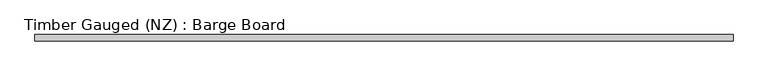
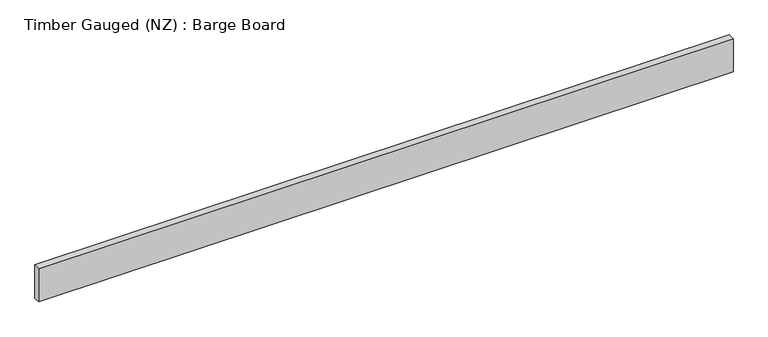
"""IFC4 building model written with IfcOpenShell, lengths in millimetres: beam geometry, Timber Gauged (NZ) : Barge Board."""

from ifc_helpers import new_model, si_unit, frame, origin, place, context, project, spatial, polyline, outline, extrude, source, transform, mapped, element, save


def timber_gauged_nz_barge_board_987907b2(model_context):
    return source(origin(), model_context, "Body", "SweptSolid", [
        extrude(outline(polyline([(1087.5, 10.0), (1087.5, -10.0), (-1087.5, -10.0), (-1087.5, 10.0), (1087.5, 10.0)])), frame((0.0, 0.0, -55.0), z_axis=(0.0, 0.0, 1.0), x_axis=(1.0, 0.0, 0.0)), (0.0, 0.0, 1.0), 110.0),
    ])


if __name__ == "__main__":
    model = new_model("IFC4")
    model_context = context("Model", 3, world=origin())
    ifc_project = project(units=[si_unit("LENGTHUNIT", "METRE", prefix="MILLI")], contexts=[model_context])
    site = spatial("IfcSite", under=ifc_project)
    building = spatial("IfcBuilding", under=site)
    placement = place(None, origin())
    timber_gauged_nz_barge_board_shape = timber_gauged_nz_barge_board_987907b2(model_context)
    element("IfcBeam", 1, ObjectType="Timber Gauged (NZ) : Barge Board", at=placement, inside=building, context=model_context, shape_type="MappedRepresentation", body=[
        mapped(timber_gauged_nz_barge_board_shape, transform((0.0, 0.0, 0.0), x_axis=(1.0, 0.0, 0.0), y_axis=(0.0, 1.0, 0.0), z_axis=(0.0, 0.0, 1.0))),
    ])
    save(model, "model.ifc")
